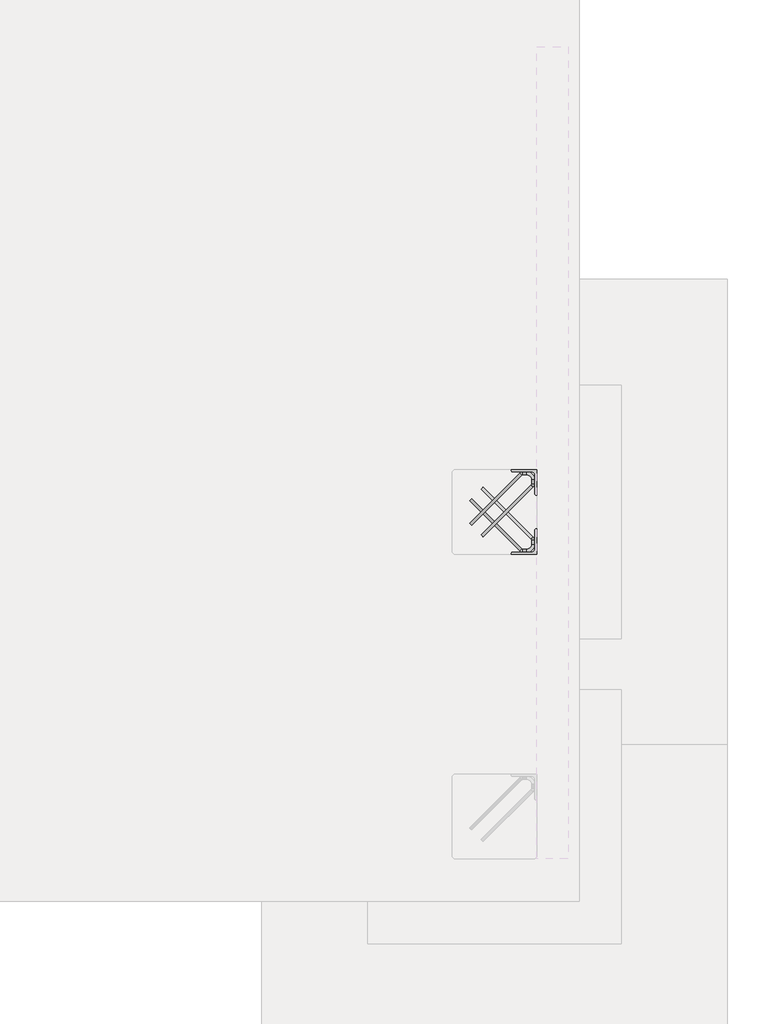
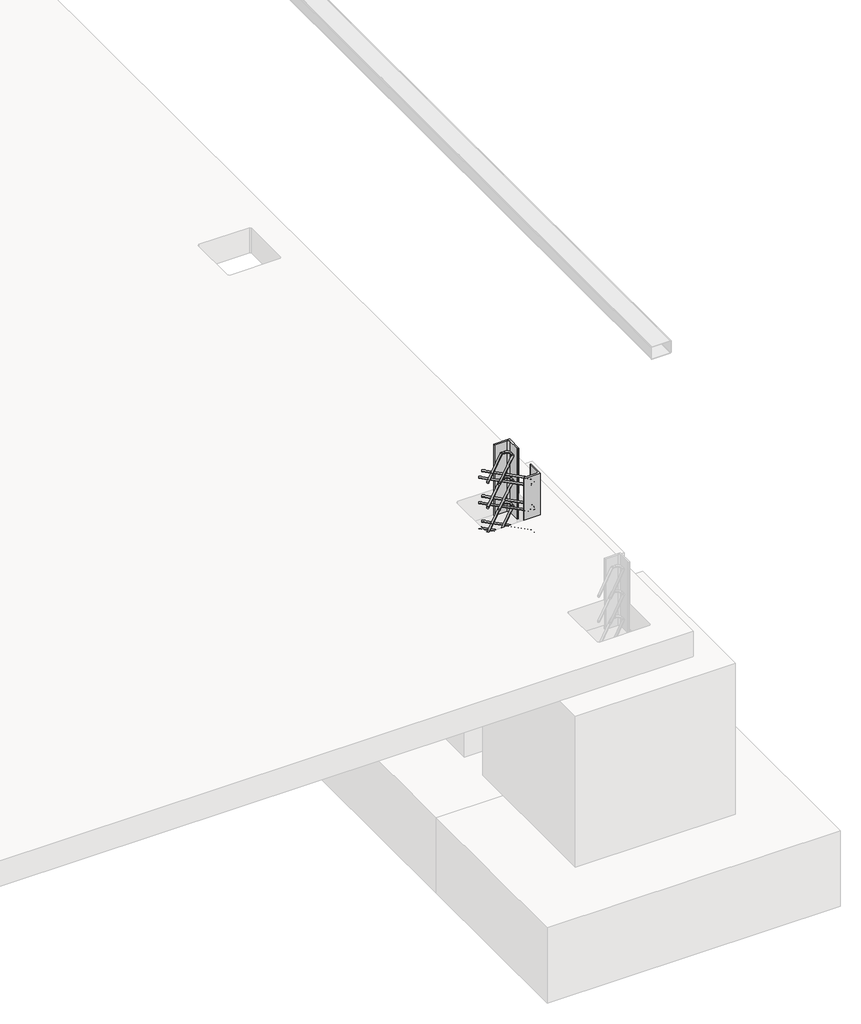
# One storey, part 54 of 65: 2 fasteners.
"""IFC4 building model written with IfcOpenShell, lengths in millimetres."""

from ifc_helpers import new_model, si_unit, point, frame, frame_2d, origin, place, context, project, spatial, polyline, circle_curve, ellipse_curve, trimmed, segment, composite_curve, outline, extrude, element, save
from ifc_brep_helpers import plane_surface, cylinder_surface, revolved_surface, advanced_brep

model = new_model("IFC4")

# Units and contexts
model_context = context("Model", 3, world=origin())
ifc_project = project(units=[si_unit("LENGTHUNIT", "METRE", prefix="MILLI")], contexts=[model_context])

# Site, building, storey
site = spatial("IfcSite", under=ifc_project)
building = spatial("IfcBuilding", under=site)
storey = spatial("IfcBuildingStorey", under=building, Elevation=0.0)

# Fasteners
placement = place(None, origin())
element("IfcFastener", 1, at=placement, inside=storey, context=model_context, shape_type="SolidModel", body=[
    advanced_brep(
    [(81882.5628791, 11387.4623741, -120.0), (81892.4623741, 11377.5628791, -120.0), (81947.4623741, 11322.5628791, -120.0), (81937.5628791, 11332.4623741, -120.0), (82176.0, 11593.0, -120.0), (82176.0, 11574.2132034, -120.0), (82190.0, 11574.2132034, -120.0), (82190.0, 11593.0, -120.0), (82153.0, 11630.0, -120.0), (82153.0, 11616.0, -120.0), (82134.2132034, 11616.0, -120.0), (82134.2132034, 11630.0, -120.0), (82128.5563492, 11613.6568542, -120.0), (82118.6568543, 11623.5563492, -120.0), (82173.6568543, 11568.5563492, -120.0), (82183.5563492, 11558.6568542, -120.0)],
    [
        (0, 1, circle_curve(frame((81887.5126266, 11382.5126266, -120.0), z_axis=(-0.7071067811865493, -0.7071067811865459, 0.0), x_axis=(0.7071067811865459, -0.7071067811865493, 0.0)), 7.0)),
        (1, 0, circle_curve(frame((81887.5126266, 11382.5126266, -120.0), z_axis=(-0.7071067811865493, -0.7071067811865459, 0.0), x_axis=(0.7071067811865459, -0.7071067811865493, 0.0)), 7.0)),
        (2, 3, circle_curve(frame((81942.5126266, 11327.5126266, -120.0), z_axis=(-0.7071067811865493, -0.7071067811865457, 0.0), x_axis=(-0.7071067811865457, 0.7071067811865493, 0.0)), 7.0)),
        (3, 2, circle_curve(frame((81942.5126266, 11327.5126266, -120.0), z_axis=(-0.7071067811865493, -0.7071067811865457, 0.0), x_axis=(-0.7071067811865457, 0.7071067811865493, 0.0)), 7.0)),
        (4, 5),
        (5, 6, circle_curve(frame((82183.0, 11574.2132034, -120.0), z_axis=(0.0, 1.0, 0.0), x_axis=(-1.0, 0.0, 0.0)), 7.0)),
        (6, 7),
        (7, 4, circle_curve(frame((82183.0, 11593.0, -120.0), z_axis=(0.0, -1.0, 0.0), x_axis=(-1.0, 0.0, 0.0)), 7.0)),
        (6, 5, circle_curve(frame((82183.0, 11574.2132034, -120.0), z_axis=(0.0, 1.0, 0.0), x_axis=(-1.0, 0.0, 0.0)), 7.0)),
        (4, 7, circle_curve(frame((82183.0, 11593.0, -120.0), z_axis=(0.0, -1.0, 0.0), x_axis=(-1.0, 0.0, 0.0)), 7.0)),
        (7, 8, circle_curve(frame((82153.0, 11593.0, -120.0), z_axis=(0.0, 0.0, 1.0), x_axis=(0.0, 1.0, 0.0)), 37.0)),
        (8, 9, circle_curve(frame((82153.0, 11623.0, -120.0), z_axis=(1.0, 0.0, 0.0), x_axis=(0.0, -1.0, 0.0)), 7.0)),
        (9, 4, circle_curve(frame((82153.0, 11593.0, -120.0), z_axis=(0.0, 0.0, -1.0), x_axis=(0.0, 1.0, 0.0)), 23.0)),
        (9, 8, circle_curve(frame((82153.0, 11623.0, -120.0), z_axis=(1.0, 0.0, 0.0), x_axis=(0.0, -1.0, 0.0)), 7.0)),
        (10, 9),
        (8, 11),
        (11, 10, circle_curve(frame((82134.2132034, 11623.0, -120.0), z_axis=(1.0, 0.0, 0.0), x_axis=(0.0, -1.0, 0.0)), 7.0)),
        (10, 11, circle_curve(frame((82134.2132034, 11623.0, -120.0), z_axis=(1.0, 0.0, 0.0), x_axis=(0.0, -1.0, 0.0)), 7.0)),
        (1, 12),
        (12, 13, circle_curve(frame((82123.6066017, 11618.6066017, -120.0), z_axis=(-0.7071067811865493, -0.7071067811865459, 0.0), x_axis=(0.7071067811865459, -0.7071067811865493, 0.0)), 7.0)),
        (13, 0),
        (13, 12, circle_curve(frame((82123.6066017, 11618.6066017, -120.0), z_axis=(-0.7071067811865493, -0.7071067811865459, 0.0), x_axis=(0.7071067811865459, -0.7071067811865493, 0.0)), 7.0)),
        (11, 13, circle_curve(frame((82134.2132034, 11608.0, -120.0), z_axis=(0.0, 0.0, 1.0), x_axis=(-0.7071067811865459, 0.7071067811865491, 0.0)), 22.0)),
        (12, 10, circle_curve(frame((82134.2132034, 11608.0, -120.0), z_axis=(0.0, 0.0, -1.0), x_axis=(-0.7071067811865459, 0.7071067811865491, 0.0)), 8.0)),
        (14, 15, circle_curve(frame((82178.6066017, 11563.6066017, -120.0), z_axis=(0.7071067811865498, 0.7071067811865452, 0.0), x_axis=(-0.7071067811865452, 0.7071067811865498, 0.0)), 7.0)),
        (15, 6, circle_curve(frame((82168.0, 11574.2132034, -120.0), z_axis=(0.0, 0.0, 1.0), x_axis=(1.0, 0.0, 0.0)), 22.0)),
        (5, 14, circle_curve(frame((82168.0, 11574.2132034, -120.0), z_axis=(0.0, 0.0, -1.0), x_axis=(1.0, 0.0, 0.0)), 8.0)),
        (15, 14, circle_curve(frame((82178.6066017, 11563.6066017, -120.0), z_axis=(0.7071067811865495, 0.7071067811865456, 0.0), x_axis=(-0.7071067811865456, 0.7071067811865495, 0.0)), 7.0)),
        (14, 3),
        (2, 15),
    ],
    [
        plane_surface(frame((81887.5126266, 11382.5126266, -120.0), z_axis=(-0.7071067811865493, -0.7071067811865459, 0.0), x_axis=(0.0, 0.0, 1.0))),
        plane_surface(frame((81942.5126266, 11327.5126266, -120.0), z_axis=(-0.7071067811865493, -0.7071067811865457, 0.0), x_axis=(0.0, 0.0, 1.0))),
        cylinder_surface(frame((82183.0, 11593.0, -120.0), z_axis=(0.0, 1.0, 0.0), x_axis=(-1.0, 0.0, 0.0)), 7.0),
        revolved_surface(trimmed(ellipse_curve(frame((82153.0, 11623.0, -120.0), z_axis=(1.0, 0.0, 0.0), x_axis=(0.0, -1.0, 0.0)), 7.0, 7.0), [point((82153.0, 11630.0, -120.0))], [point((82153.0, 11616.0, -120.0))], True, "CARTESIAN"), (82153.0, 11593.0, -120.0), (0.0, 0.0, 1.0)),
        revolved_surface(trimmed(ellipse_curve(frame((82153.0, 11623.0, -120.0), z_axis=(1.0, 0.0, 0.0), x_axis=(0.0, -1.0, 0.0)), 7.0, 7.0), [point((82153.0, 11616.0, -120.0))], [point((82153.0, 11630.0, -120.0))], True, "CARTESIAN"), (82153.0, 11593.0, -120.0), (0.0, 0.0, 1.0)),
        cylinder_surface(frame((82134.2132034, 11623.0, -120.0), z_axis=(-1.0, 0.0, 0.0), x_axis=(0.0, -1.0, 0.0)), 7.0),
        cylinder_surface(frame((81887.5126266, 11382.5126266, -120.0), z_axis=(-0.7071067811865493, -0.7071067811865459, 0.0), x_axis=(0.7071067811865459, -0.7071067811865493, 0.0)), 7.0),
        revolved_surface(trimmed(ellipse_curve(frame((82123.6066017, 11618.6066017, -120.0), z_axis=(0.7071067811865491, 0.7071067811865459, 0.0), x_axis=(0.7071067811865459, -0.7071067811865491, 0.0)), 7.0, 7.0), [point((82118.6568543, 11623.5563492, -120.0))], [point((82128.5563492, 11613.6568542, -120.0))], True, "CARTESIAN"), (82134.2132034, 11608.0, -120.0), (0.0, 0.0, 1.0)),
        revolved_surface(trimmed(ellipse_curve(frame((82123.6066017, 11618.6066017, -120.0), z_axis=(0.7071067811865491, 0.7071067811865459, 0.0), x_axis=(0.7071067811865459, -0.7071067811865491, 0.0)), 7.0, 7.0), [point((82128.5563492, 11613.6568542, -120.0))], [point((82118.6568543, 11623.5563492, -120.0))], True, "CARTESIAN"), (82134.2132034, 11608.0, -120.0), (0.0, 0.0, 1.0)),
        revolved_surface(trimmed(ellipse_curve(frame((82183.0, 11574.2132034, -120.0), z_axis=(0.0, -1.0, 0.0), x_axis=(-1.0, 0.0, 0.0)), 7.0, 7.0), [point((82190.0, 11574.2132034, -120.0))], [point((82176.0, 11574.2132034, -120.0))], True, "CARTESIAN"), (82168.0, 11574.2132034, -120.0), (0.0, 0.0, 1.0)),
        revolved_surface(trimmed(ellipse_curve(frame((82183.0, 11574.2132034, -120.0), z_axis=(0.0, -1.0, 0.0), x_axis=(-1.0, 0.0, 0.0)), 7.0, 7.0), [point((82176.0, 11574.2132034, -120.0))], [point((82190.0, 11574.2132034, -120.0))], True, "CARTESIAN"), (82168.0, 11574.2132034, -120.0), (0.0, 0.0, 1.0)),
        cylinder_surface(frame((82178.6066017, 11563.6066017, -120.0), z_axis=(0.7071067811865493, 0.7071067811865457, 0.0), x_axis=(-0.7071067811865457, 0.7071067811865493, 0.0)), 7.0),
    ],
    [
        (0, [[1, 2]]),
        (1, [[3, 4]]),
        (2, [[5, 6, 7, 8]]),
        (2, [[-7, 9, -5, 10]]),
        (3, [[-8, 11, 12, 13]]),
        (4, [[-10, -13, 14, -11]]),
        (5, [[15, -12, 16, 17]]),
        (5, [[-16, -14, -15, 18]]),
        (6, [[19, 20, 21, -2]]),
        (6, [[-21, 22, -19, -1]]),
        (7, [[-17, 23, -20, 24]]),
        (8, [[-18, -24, -22, -23]]),
        (9, [[25, 26, -6, 27]]),
        (10, [[28, -27, -9, -26]]),
        (11, [[29, -3, 30, -25]]),
        (11, [[-30, -4, -29, -28]]),
    ],
),
    advanced_brep(
    [(81892.4623741, 11377.5628791, 280.0), (81882.5628791, 11387.4623741, 280.0), (81937.5628791, 11332.4623741, 280.0), (81947.4623741, 11322.5628791, 280.0), (82190.0, 11593.0, 280.0), (82190.0, 11574.2132034, 280.0), (82176.0, 11574.2132034, 280.0), (82176.0, 11593.0, 280.0), (82153.0, 11616.0, 280.0), (82153.0, 11630.0, 280.0), (82134.2132034, 11630.0, 280.0), (82134.2132034, 11616.0, 280.0), (82118.6568543, 11623.5563492, 280.0), (82128.5563492, 11613.6568542, 280.0), (82183.5563492, 11558.6568542, 280.0), (82173.6568543, 11568.5563492, 280.0)],
    [
        (0, 1, circle_curve(frame((81887.5126266, 11382.5126266, 280.0), z_axis=(-0.7071067811865493, -0.7071067811865459, 0.0), x_axis=(-0.7071067811865459, 0.7071067811865493, 0.0)), 7.0)),
        (1, 0, circle_curve(frame((81887.5126266, 11382.5126266, 280.0), z_axis=(-0.7071067811865493, -0.7071067811865459, 0.0), x_axis=(-0.7071067811865459, 0.7071067811865493, 0.0)), 7.0)),
        (2, 3, circle_curve(frame((81942.5126266, 11327.5126266, 280.0), z_axis=(-0.7071067811865493, -0.7071067811865458, 0.0), x_axis=(0.7071067811865458, -0.7071067811865493, 0.0)), 7.0)),
        (3, 2, circle_curve(frame((81942.5126266, 11327.5126266, 280.0), z_axis=(-0.7071067811865493, -0.7071067811865458, 0.0), x_axis=(0.7071067811865458, -0.7071067811865493, 0.0)), 7.0)),
        (4, 5),
        (5, 6, circle_curve(frame((82183.0, 11574.2132034, 280.0), z_axis=(0.0, 1.0, 0.0), x_axis=(1.0, 0.0, 0.0)), 7.0)),
        (6, 7),
        (7, 4, circle_curve(frame((82183.0, 11593.0, 280.0), z_axis=(0.0, -1.0, 0.0), x_axis=(1.0, 0.0, 0.0)), 7.0)),
        (6, 5, circle_curve(frame((82183.0, 11574.2132034, 280.0), z_axis=(0.0, 1.0, 0.0), x_axis=(1.0, 0.0, 0.0)), 7.0)),
        (4, 7, circle_curve(frame((82183.0, 11593.0, 280.0), z_axis=(0.0, -1.0, 0.0), x_axis=(1.0, 0.0, 0.0)), 7.0)),
        (7, 8, circle_curve(frame((82153.0, 11593.0, 280.0), z_axis=(0.0, 0.0, 1.0), x_axis=(0.0, 1.0, 0.0)), 23.0)),
        (8, 9, circle_curve(frame((82153.0, 11623.0, 280.0), z_axis=(1.0, 0.0, 0.0), x_axis=(0.0, 1.0, 0.0)), 7.0)),
        (9, 4, circle_curve(frame((82153.0, 11593.0, 280.0), z_axis=(0.0, 0.0, -1.0), x_axis=(0.0, 1.0, 0.0)), 37.0)),
        (9, 8, circle_curve(frame((82153.0, 11623.0, 280.0), z_axis=(1.0, 0.0, 0.0), x_axis=(0.0, 1.0, 0.0)), 7.0)),
        (10, 9),
        (8, 11),
        (11, 10, circle_curve(frame((82134.2132034, 11623.0, 280.0), z_axis=(1.0, 0.0, 0.0), x_axis=(0.0, 1.0, 0.0)), 7.0)),
        (10, 11, circle_curve(frame((82134.2132034, 11623.0, 280.0), z_axis=(1.0, 0.0, 0.0), x_axis=(0.0, 1.0, 0.0)), 7.0)),
        (1, 12),
        (12, 13, circle_curve(frame((82123.6066017, 11618.6066017, 280.0), z_axis=(-0.7071067811865493, -0.7071067811865459, 0.0), x_axis=(-0.7071067811865459, 0.7071067811865493, 0.0)), 7.0)),
        (13, 0),
        (13, 12, circle_curve(frame((82123.6066017, 11618.6066017, 280.0), z_axis=(-0.7071067811865493, -0.7071067811865459, 0.0), x_axis=(-0.7071067811865459, 0.7071067811865493, 0.0)), 7.0)),
        (11, 13, circle_curve(frame((82134.2132034, 11608.0, 280.0), z_axis=(0.0, 0.0, 1.0), x_axis=(-0.7071067811865459, 0.7071067811865491, 0.0)), 8.0)),
        (12, 10, circle_curve(frame((82134.2132034, 11608.0, 280.0), z_axis=(0.0, 0.0, -1.0), x_axis=(-0.7071067811865459, 0.7071067811865491, 0.0)), 22.0)),
        (14, 15, circle_curve(frame((82178.6066017, 11563.6066017, 280.0), z_axis=(0.70710678118655, 0.707106781186545, 0.0), x_axis=(0.707106781186545, -0.70710678118655, 0.0)), 7.0)),
        (15, 6, circle_curve(frame((82168.0, 11574.2132034, 280.0), z_axis=(0.0, 0.0, 1.0), x_axis=(1.0, 0.0, 0.0)), 8.0)),
        (5, 14, circle_curve(frame((82168.0, 11574.2132034, 280.0), z_axis=(0.0, 0.0, -1.0), x_axis=(1.0, 0.0, 0.0)), 22.0)),
        (15, 14, circle_curve(frame((82178.6066017, 11563.6066017, 280.0), z_axis=(0.707106781186551, 0.707106781186544, 0.0), x_axis=(0.707106781186544, -0.707106781186551, 0.0)), 7.0)),
        (14, 3),
        (2, 15),
    ],
    [
        plane_surface(frame((81887.5126266, 11382.5126266, 280.0), z_axis=(-0.7071067811865493, -0.7071067811865459, 0.0), x_axis=(0.0, 0.0, -1.0))),
        plane_surface(frame((81942.5126266, 11327.5126266, 280.0), z_axis=(-0.7071067811865493, -0.7071067811865458, 0.0), x_axis=(0.0, 0.0, -1.0))),
        cylinder_surface(frame((82183.0, 11593.0, 280.0), z_axis=(0.0, 1.0, 0.0), x_axis=(1.0, 0.0, 0.0)), 7.0),
        revolved_surface(trimmed(ellipse_curve(frame((82153.0, 11623.0, 280.0), z_axis=(1.0, 0.0, 0.0), x_axis=(0.0, 1.0, 0.0)), 7.0, 7.0), [point((82153.0, 11616.0, 280.0))], [point((82153.0, 11630.0, 280.0))], True, "CARTESIAN"), (82153.0, 11593.0, 280.0), (0.0, 0.0, 1.0)),
        revolved_surface(trimmed(ellipse_curve(frame((82153.0, 11623.0, 280.0), z_axis=(1.0, 0.0, 0.0), x_axis=(0.0, 1.0, 0.0)), 7.0, 7.0), [point((82153.0, 11630.0, 280.0))], [point((82153.0, 11616.0, 280.0))], True, "CARTESIAN"), (82153.0, 11593.0, 280.0), (0.0, 0.0, 1.0)),
        cylinder_surface(frame((82134.2132034, 11623.0, 280.0), z_axis=(-1.0, 0.0, 0.0), x_axis=(0.0, 1.0, 0.0)), 7.0),
        cylinder_surface(frame((81887.5126266, 11382.5126266, 280.0), z_axis=(-0.7071067811865493, -0.7071067811865459, 0.0), x_axis=(-0.7071067811865459, 0.7071067811865493, 0.0)), 7.0),
        revolved_surface(trimmed(ellipse_curve(frame((82123.6066017, 11618.6066017, 280.0), z_axis=(0.7071067811865491, 0.7071067811865459, 0.0), x_axis=(-0.7071067811865459, 0.7071067811865491, 0.0)), 7.0, 7.0), [point((82128.5563492, 11613.6568542, 280.0))], [point((82118.6568543, 11623.5563492, 280.0))], True, "CARTESIAN"), (82134.2132034, 11608.0, 280.0), (0.0, 0.0, 1.0)),
        revolved_surface(trimmed(ellipse_curve(frame((82123.6066017, 11618.6066017, 280.0), z_axis=(0.7071067811865491, 0.7071067811865459, 0.0), x_axis=(-0.7071067811865459, 0.7071067811865491, 0.0)), 7.0, 7.0), [point((82118.6568543, 11623.5563492, 280.0))], [point((82128.5563492, 11613.6568542, 280.0))], True, "CARTESIAN"), (82134.2132034, 11608.0, 280.0), (0.0, 0.0, 1.0)),
        revolved_surface(trimmed(ellipse_curve(frame((82183.0, 11574.2132034, 280.0), z_axis=(0.0, -1.0, 0.0), x_axis=(1.0, 0.0, 0.0)), 7.0, 7.0), [point((82176.0, 11574.2132034, 280.0))], [point((82190.0, 11574.2132034, 280.0))], True, "CARTESIAN"), (82168.0, 11574.2132034, 280.0), (0.0, 0.0, 1.0)),
        revolved_surface(trimmed(ellipse_curve(frame((82183.0, 11574.2132034, 280.0), z_axis=(0.0, -1.0, 0.0), x_axis=(1.0, 0.0, 0.0)), 7.0, 7.0), [point((82190.0, 11574.2132034, 280.0))], [point((82176.0, 11574.2132034, 280.0))], True, "CARTESIAN"), (82168.0, 11574.2132034, 280.0), (0.0, 0.0, 1.0)),
        cylinder_surface(frame((82178.6066017, 11563.6066017, 280.0), z_axis=(0.7071067811865493, 0.7071067811865458, 0.0), x_axis=(0.7071067811865458, -0.7071067811865493, 0.0)), 7.0),
    ],
    [
        (0, [[1, 2]]),
        (1, [[3, 4]]),
        (2, [[5, 6, 7, 8]]),
        (2, [[-7, 9, -5, 10]]),
        (3, [[-8, 11, 12, 13]]),
        (4, [[-10, -13, 14, -11]]),
        (5, [[15, -12, 16, 17]]),
        (5, [[-16, -14, -15, 18]]),
        (6, [[19, 20, 21, -2]]),
        (6, [[-21, 22, -19, -1]]),
        (7, [[-17, 23, -20, 24]]),
        (8, [[-18, -24, -22, -23]]),
        (9, [[25, 26, -6, 27]]),
        (10, [[28, -27, -9, -26]]),
        (11, [[29, -3, 30, -25]]),
        (11, [[-30, -4, -29, -28]]),
    ],
),
    advanced_brep(
    [(81892.4623741, 11377.5628791, 80.0), (81882.5628791, 11387.4623741, 80.0), (81937.5628791, 11332.4623741, 80.0), (81947.4623741, 11322.5628791, 80.0), (82190.0, 11593.0, 80.0), (82190.0, 11574.2132034, 80.0), (82176.0, 11574.2132034, 80.0), (82176.0, 11593.0, 80.0), (82153.0, 11616.0, 80.0), (82153.0, 11630.0, 80.0), (82134.2132034, 11630.0, 80.0), (82134.2132034, 11616.0, 80.0), (82118.6568543, 11623.5563492, 80.0), (82128.5563492, 11613.6568542, 80.0), (82183.5563492, 11558.6568542, 80.0), (82173.6568543, 11568.5563492, 80.0)],
    [
        (0, 1, circle_curve(frame((81887.5126266, 11382.5126266, 80.0), z_axis=(-0.7071067811865492, -0.7071067811865458, 0.0), x_axis=(-0.7071067811865458, 0.7071067811865492, 0.0)), 7.0)),
        (1, 0, circle_curve(frame((81887.5126266, 11382.5126266, 80.0), z_axis=(-0.7071067811865492, -0.7071067811865458, 0.0), x_axis=(-0.7071067811865458, 0.7071067811865492, 0.0)), 7.0)),
        (2, 3, circle_curve(frame((81942.5126266, 11327.5126266, 80.0), z_axis=(-0.7071067811865493, -0.7071067811865458, 0.0), x_axis=(0.7071067811865458, -0.7071067811865493, 0.0)), 7.0)),
        (3, 2, circle_curve(frame((81942.5126266, 11327.5126266, 80.0), z_axis=(-0.7071067811865493, -0.7071067811865458, 0.0), x_axis=(0.7071067811865458, -0.7071067811865493, 0.0)), 7.0)),
        (4, 5),
        (5, 6, circle_curve(frame((82183.0, 11574.2132034, 80.0), z_axis=(0.0, 1.0, 0.0), x_axis=(1.0, 0.0, 0.0)), 7.0)),
        (6, 7),
        (7, 4, circle_curve(frame((82183.0, 11593.0, 80.0), z_axis=(0.0, -1.0, 0.0), x_axis=(1.0, 0.0, 0.0)), 7.0)),
        (6, 5, circle_curve(frame((82183.0, 11574.2132034, 80.0), z_axis=(0.0, 1.0, 0.0), x_axis=(1.0, 0.0, 0.0)), 7.0)),
        (4, 7, circle_curve(frame((82183.0, 11593.0, 80.0), z_axis=(0.0, -1.0, 0.0), x_axis=(1.0, 0.0, 0.0)), 7.0)),
        (7, 8, circle_curve(frame((82153.0, 11593.0, 80.0), z_axis=(0.0, 0.0, 1.0), x_axis=(0.0, 1.0, 0.0)), 23.0)),
        (8, 9, circle_curve(frame((82153.0, 11623.0, 80.0), z_axis=(1.0, 0.0, 0.0), x_axis=(0.0, 1.0, 0.0)), 7.0)),
        (9, 4, circle_curve(frame((82153.0, 11593.0, 80.0), z_axis=(0.0, 0.0, -1.0), x_axis=(0.0, 1.0, 0.0)), 37.0)),
        (9, 8, circle_curve(frame((82153.0, 11623.0, 80.0), z_axis=(1.0, 0.0, 0.0), x_axis=(0.0, 1.0, 0.0)), 7.0)),
        (10, 9),
        (8, 11),
        (11, 10, circle_curve(frame((82134.2132034, 11623.0, 80.0), z_axis=(1.0, 0.0, 0.0), x_axis=(0.0, 1.0, 0.0)), 7.0)),
        (10, 11, circle_curve(frame((82134.2132034, 11623.0, 80.0), z_axis=(1.0, 0.0, 0.0), x_axis=(0.0, 1.0, 0.0)), 7.0)),
        (1, 12),
        (12, 13, circle_curve(frame((82123.6066017, 11618.6066017, 80.0), z_axis=(-0.7071067811865492, -0.7071067811865458, 0.0), x_axis=(-0.7071067811865458, 0.7071067811865492, 0.0)), 7.0)),
        (13, 0),
        (13, 12, circle_curve(frame((82123.6066017, 11618.6066017, 80.0), z_axis=(-0.7071067811865492, -0.7071067811865458, 0.0), x_axis=(-0.7071067811865458, 0.7071067811865492, 0.0)), 7.0)),
        (11, 13, circle_curve(frame((82134.2132034, 11608.0, 80.0), z_axis=(0.0, 0.0, 1.0), x_axis=(-0.7071067811865459, 0.7071067811865491, 0.0)), 8.0)),
        (12, 10, circle_curve(frame((82134.2132034, 11608.0, 80.0), z_axis=(0.0, 0.0, -1.0), x_axis=(-0.7071067811865459, 0.7071067811865491, 0.0)), 22.0)),
        (14, 15, circle_curve(frame((82178.6066017, 11563.6066017, 80.0), z_axis=(0.7071067811865495, 0.7071067811865456, 0.0), x_axis=(0.7071067811865456, -0.7071067811865495, 0.0)), 7.0)),
        (15, 6, circle_curve(frame((82168.0, 11574.2132034, 80.0), z_axis=(0.0, 0.0, 1.0), x_axis=(1.0, 0.0, 0.0)), 8.0)),
        (5, 14, circle_curve(frame((82168.0, 11574.2132034, 80.0), z_axis=(0.0, 0.0, -1.0), x_axis=(1.0, 0.0, 0.0)), 22.0)),
        (15, 14, circle_curve(frame((82178.6066017, 11563.6066017, 80.0), z_axis=(0.7071067811865493, 0.7071067811865457, 0.0), x_axis=(0.7071067811865457, -0.7071067811865493, 0.0)), 7.0)),
        (14, 3),
        (2, 15),
    ],
    [
        plane_surface(frame((81887.5126266, 11382.5126266, 80.0), z_axis=(-0.7071067811865492, -0.7071067811865458, 0.0), x_axis=(0.0, 0.0, -1.0))),
        plane_surface(frame((81942.5126266, 11327.5126266, 80.0), z_axis=(-0.7071067811865495, -0.7071067811865457, 0.0), x_axis=(0.0, 0.0, -1.0))),
        cylinder_surface(frame((82183.0, 11593.0, 80.0), z_axis=(0.0, 1.0, 0.0), x_axis=(1.0, 0.0, 0.0)), 7.0),
        revolved_surface(trimmed(ellipse_curve(frame((82153.0, 11623.0, 80.0), z_axis=(1.0, 0.0, 0.0), x_axis=(0.0, 1.0, 0.0)), 7.0, 7.0), [point((82153.0, 11616.0, 80.0))], [point((82153.0, 11630.0, 80.0))], True, "CARTESIAN"), (82153.0, 11593.0, 80.0), (0.0, 0.0, 1.0)),
        revolved_surface(trimmed(ellipse_curve(frame((82153.0, 11623.0, 80.0), z_axis=(1.0, 0.0, 0.0), x_axis=(0.0, 1.0, 0.0)), 7.0, 7.0), [point((82153.0, 11630.0, 80.0))], [point((82153.0, 11616.0, 80.0))], True, "CARTESIAN"), (82153.0, 11593.0, 80.0), (0.0, 0.0, 1.0)),
        cylinder_surface(frame((82134.2132034, 11623.0, 80.0), z_axis=(-1.0, 0.0, 0.0), x_axis=(0.0, 1.0, 0.0)), 7.0),
        cylinder_surface(frame((81887.5126266, 11382.5126266, 80.0), z_axis=(-0.7071067811865492, -0.7071067811865458, 0.0), x_axis=(-0.7071067811865458, 0.7071067811865492, 0.0)), 7.0),
        revolved_surface(trimmed(ellipse_curve(frame((82123.6066017, 11618.6066017, 80.0), z_axis=(0.707106781186549, 0.707106781186546, 0.0), x_axis=(-0.707106781186546, 0.707106781186549, 0.0)), 7.0, 7.0), [point((82128.5563492, 11613.6568542, 80.0))], [point((82118.6568543, 11623.5563492, 80.0))], True, "CARTESIAN"), (82134.2132034, 11608.0, 80.0), (0.0, 0.0, 1.0)),
        revolved_surface(trimmed(ellipse_curve(frame((82123.6066017, 11618.6066017, 80.0), z_axis=(0.707106781186549, 0.707106781186546, 0.0), x_axis=(-0.707106781186546, 0.707106781186549, 0.0)), 7.0, 7.0), [point((82118.6568543, 11623.5563492, 80.0))], [point((82128.5563492, 11613.6568542, 80.0))], True, "CARTESIAN"), (82134.2132034, 11608.0, 80.0), (0.0, 0.0, 1.0)),
        revolved_surface(trimmed(ellipse_curve(frame((82183.0, 11574.2132034, 80.0), z_axis=(0.0, -1.0, 0.0), x_axis=(1.0, 0.0, 0.0)), 7.0, 7.0), [point((82176.0, 11574.2132034, 80.0))], [point((82190.0, 11574.2132034, 80.0))], True, "CARTESIAN"), (82168.0, 11574.2132034, 80.0), (0.0, 0.0, 1.0)),
        revolved_surface(trimmed(ellipse_curve(frame((82183.0, 11574.2132034, 80.0), z_axis=(0.0, -1.0, 0.0), x_axis=(1.0, 0.0, 0.0)), 7.0, 7.0), [point((82190.0, 11574.2132034, 80.0))], [point((82176.0, 11574.2132034, 80.0))], True, "CARTESIAN"), (82168.0, 11574.2132034, 80.0), (0.0, 0.0, 1.0)),
        cylinder_surface(frame((82178.6066017, 11563.6066017, 80.0), z_axis=(0.7071067811865493, 0.7071067811865458, 0.0), x_axis=(0.7071067811865458, -0.7071067811865493, 0.0)), 7.0),
    ],
    [
        (0, [[1, 2]]),
        (1, [[3, 4]]),
        (2, [[5, 6, 7, 8]]),
        (2, [[-7, 9, -5, 10]]),
        (3, [[-8, 11, 12, 13]]),
        (4, [[-10, -13, 14, -11]]),
        (5, [[15, -12, 16, 17]]),
        (5, [[-16, -14, -15, 18]]),
        (6, [[19, 20, 21, -2]]),
        (6, [[-21, 22, -19, -1]]),
        (7, [[-17, 23, -20, 24]]),
        (8, [[-18, -24, -22, -23]]),
        (9, [[25, 26, -6, 27]]),
        (10, [[28, -27, -9, -26]]),
        (11, [[29, -3, 30, -25]]),
        (11, [[-30, -4, -29, -28]]),
    ],
),
    extrude(outline(composite_curve([segment(polyline([(82200.0, 11640.0), (82200.0, 11520.0), (82196.5, 11520.0)]), True, "CONTINUOUS"), segment(trimmed(circle_curve(frame_2d((82196.5, 11526.5)), 6.5), [point((82196.5, 11520.0))], [point((82190.0, 11526.5))], False, "CARTESIAN"), True, "CONTINUOUS"), segment(polyline([(82190.0, 11526.5), (82190.0, 11617.0)]), True, "CONTINUOUS"), segment(trimmed(circle_curve(frame_2d((82177.0, 11617.0)), 13.0), [point((82190.0, 11617.0))], [point((82177.0, 11630.0))], True, "CARTESIAN"), True, "CONTINUOUS"), segment(polyline([(82177.0, 11630.0), (82086.5, 11630.0)]), True, "CONTINUOUS"), segment(trimmed(circle_curve(frame_2d((82086.5, 11636.5)), 6.5), [point((82086.5, 11630.0))], [point((82080.0, 11636.5))], False, "CARTESIAN"), True, "CONTINUOUS"), segment(polyline([(82080.0, 11636.5), (82080.0, 11640.0), (82200.0, 11640.0)]), True, "CONTINUOUS")], self_intersect=False)), frame((0.0, 0.0, -200.0), z_axis=(0.0, 0.0, 1.0), x_axis=(1.0, 0.0, 0.0)), (0.0, 0.0, 1.0), 560.0),
])
element("IfcFastener", 2, at=placement, inside=storey, context=model_context, shape_type="SolidModel", body=[
    advanced_brep(
    [(81882.5628791, 11492.5376259, 250.0), (81892.4623741, 11502.4371209, 250.0), (81947.4623741, 11557.4371209, 250.0), (81937.5628791, 11547.5376259, 250.0), (82176.0, 11287.0, 250.0), (82176.0, 11305.7867966, 250.0), (82190.0, 11305.7867966, 250.0), (82190.0, 11287.0, 250.0), (82153.0, 11250.0, 250.0), (82153.0, 11264.0, 250.0), (82134.2132034, 11264.0, 250.0), (82134.2132034, 11250.0, 250.0), (82128.5563492, 11266.3431458, 250.0), (82118.6568543, 11256.4436508, 250.0), (82173.6568543, 11311.4436508, 250.0), (82183.5563492, 11321.3431458, 250.0)],
    [
        (0, 1, circle_curve(frame((81887.5126266, 11497.4873734, 250.0), z_axis=(-0.7071067811865446, 0.7071067811865505, 0.0), x_axis=(0.7071067811865506, 0.7071067811865447, 0.0)), 7.0)),
        (1, 0, circle_curve(frame((81887.5126266, 11497.4873734, 250.0), z_axis=(-0.7071067811865446, 0.7071067811865505, 0.0), x_axis=(0.7071067811865506, 0.7071067811865447, 0.0)), 7.0)),
        (2, 3, circle_curve(frame((81942.5126266, 11552.4873734, 250.0), z_axis=(-0.7071067811865447, 0.7071067811865503, 0.0), x_axis=(-0.7071067811865503, -0.7071067811865447, 0.0)), 7.0)),
        (3, 2, circle_curve(frame((81942.5126266, 11552.4873734, 250.0), z_axis=(-0.7071067811865447, 0.7071067811865503, 0.0), x_axis=(-0.7071067811865503, -0.7071067811865447, 0.0)), 7.0)),
        (4, 5),
        (5, 6, circle_curve(frame((82183.0, 11305.7867966, 250.0), z_axis=(0.0, -1.0, 0.0), x_axis=(-1.0, 0.0, 0.0)), 7.0)),
        (6, 7),
        (7, 4, circle_curve(frame((82183.0, 11287.0, 250.0), z_axis=(0.0, 1.0, 0.0), x_axis=(-1.0, 0.0, 0.0)), 7.0)),
        (6, 5, circle_curve(frame((82183.0, 11305.7867966, 250.0), z_axis=(0.0, -1.0, 0.0), x_axis=(-1.0, 0.0, 0.0)), 7.0)),
        (4, 7, circle_curve(frame((82183.0, 11287.0, 250.0), z_axis=(0.0, 1.0, 0.0), x_axis=(-1.0, 0.0, 0.0)), 7.0)),
        (7, 8, circle_curve(frame((82153.0, 11287.0, 250.0), z_axis=(0.0, 0.0, -1.0), x_axis=(0.0, -1.0, 0.0)), 37.0)),
        (8, 9, circle_curve(frame((82153.0, 11257.0, 250.0), z_axis=(1.0, 0.0, 0.0), x_axis=(0.0, 1.0, 0.0)), 7.0)),
        (9, 4, circle_curve(frame((82153.0, 11287.0, 250.0), z_axis=(0.0, 0.0, 1.0), x_axis=(0.0, -1.0, 0.0)), 23.0)),
        (9, 8, circle_curve(frame((82153.0, 11257.0, 250.0), z_axis=(1.0, 0.0, 0.0), x_axis=(0.0, 1.0, 0.0)), 7.0)),
        (10, 9),
        (8, 11),
        (11, 10, circle_curve(frame((82134.2132034, 11257.0, 250.0), z_axis=(1.0, 0.0, 0.0), x_axis=(0.0, 1.0, 0.0)), 7.0)),
        (10, 11, circle_curve(frame((82134.2132034, 11257.0, 250.0), z_axis=(1.0, 0.0, 0.0), x_axis=(0.0, 1.0, 0.0)), 7.0)),
        (1, 12),
        (12, 13, circle_curve(frame((82123.6066017, 11261.3933983, 250.0), z_axis=(-0.7071067811865446, 0.7071067811865505, 0.0), x_axis=(0.7071067811865506, 0.7071067811865447, 0.0)), 7.0)),
        (13, 0),
        (13, 12, circle_curve(frame((82123.6066017, 11261.3933983, 250.0), z_axis=(-0.7071067811865446, 0.7071067811865505, 0.0), x_axis=(0.7071067811865506, 0.7071067811865447, 0.0)), 7.0)),
        (11, 13, circle_curve(frame((82134.2132034, 11272.0, 250.0), z_axis=(0.0, 0.0, -1.0), x_axis=(-0.7071067811865506, -0.7071067811865445, 0.0)), 22.0)),
        (12, 10, circle_curve(frame((82134.2132034, 11272.0, 250.0), z_axis=(0.0, 0.0, 1.0), x_axis=(-0.7071067811865506, -0.7071067811865445, 0.0)), 8.0)),
        (14, 15, circle_curve(frame((82178.6066017, 11316.3933983, 250.0), z_axis=(0.7071067811865452, -0.7071067811865498, 0.0), x_axis=(-0.7071067811865498, -0.7071067811865452, 0.0)), 7.0)),
        (15, 6, circle_curve(frame((82168.0, 11305.7867966, 250.0), z_axis=(0.0, 0.0, -1.0), x_axis=(1.0, 0.0, 0.0)), 22.0)),
        (5, 14, circle_curve(frame((82168.0, 11305.7867966, 250.0), z_axis=(0.0, 0.0, 1.0), x_axis=(1.0, 0.0, 0.0)), 8.0)),
        (15, 14, circle_curve(frame((82178.6066017, 11316.3933983, 250.0), z_axis=(0.7071067811865449, -0.7071067811865501, 0.0), x_axis=(-0.7071067811865501, -0.7071067811865449, 0.0)), 7.0)),
        (14, 3),
        (2, 15),
    ],
    [
        plane_surface(frame((81887.5126266, 11497.4873734, 250.0), z_axis=(-0.7071067811865446, 0.7071067811865505, 0.0), x_axis=(0.0, 0.0, -1.0))),
        plane_surface(frame((81942.5126266, 11552.4873734, 250.0), z_axis=(-0.7071067811865447, 0.7071067811865503, 0.0), x_axis=(0.0, 0.0, -1.0))),
        cylinder_surface(frame((82183.0, 11287.0, 250.0), z_axis=(0.0, -1.0, 0.0), x_axis=(-1.0, 0.0, 0.0)), 7.0),
        revolved_surface(trimmed(ellipse_curve(frame((82153.0, 11257.0, 250.0), z_axis=(1.0, 0.0, 0.0), x_axis=(0.0, 1.0, 0.0)), 7.0, 7.0), [point((82153.0, 11250.0, 250.0))], [point((82153.0, 11264.0, 250.0))], True, "CARTESIAN"), (82153.0, 11287.0, 250.0), (0.0, 0.0, -1.0)),
        revolved_surface(trimmed(ellipse_curve(frame((82153.0, 11257.0, 250.0), z_axis=(1.0, 0.0, 0.0), x_axis=(0.0, 1.0, 0.0)), 7.0, 7.0), [point((82153.0, 11264.0, 250.0))], [point((82153.0, 11250.0, 250.0))], True, "CARTESIAN"), (82153.0, 11287.0, 250.0), (0.0, 0.0, -1.0)),
        cylinder_surface(frame((82134.2132034, 11257.0, 250.0), z_axis=(-1.0, 0.0, 0.0), x_axis=(0.0, 1.0, 0.0)), 7.0),
        cylinder_surface(frame((81887.5126266, 11497.4873734, 250.0), z_axis=(-0.7071067811865447, 0.7071067811865506, 0.0), x_axis=(0.7071067811865506, 0.7071067811865447, 0.0)), 7.0),
        revolved_surface(trimmed(ellipse_curve(frame((82123.6066017, 11261.3933983, 250.0), z_axis=(0.7071067811865445, -0.7071067811865506, 0.0), x_axis=(0.7071067811865506, 0.7071067811865445, 0.0)), 7.0, 7.0), [point((82118.6568543, 11256.4436508, 250.0))], [point((82128.5563492, 11266.3431458, 250.0))], True, "CARTESIAN"), (82134.2132034, 11272.0, 250.0), (0.0, 0.0, -1.0)),
        revolved_surface(trimmed(ellipse_curve(frame((82123.6066017, 11261.3933983, 250.0), z_axis=(0.7071067811865445, -0.7071067811865506, 0.0), x_axis=(0.7071067811865506, 0.7071067811865445, 0.0)), 7.0, 7.0), [point((82128.5563492, 11266.3431458, 250.0))], [point((82118.6568543, 11256.4436508, 250.0))], True, "CARTESIAN"), (82134.2132034, 11272.0, 250.0), (0.0, 0.0, -1.0)),
        revolved_surface(trimmed(ellipse_curve(frame((82183.0, 11305.7867966, 250.0), z_axis=(0.0, 1.0, 0.0), x_axis=(-1.0, 0.0, 0.0)), 7.0, 7.0), [point((82190.0, 11305.7867966, 250.0))], [point((82176.0, 11305.7867966, 250.0))], True, "CARTESIAN"), (82168.0, 11305.7867966, 250.0), (0.0, 0.0, -1.0)),
        revolved_surface(trimmed(ellipse_curve(frame((82183.0, 11305.7867966, 250.0), z_axis=(0.0, 1.0, 0.0), x_axis=(-1.0, 0.0, 0.0)), 7.0, 7.0), [point((82176.0, 11305.7867966, 250.0))], [point((82190.0, 11305.7867966, 250.0))], True, "CARTESIAN"), (82168.0, 11305.7867966, 250.0), (0.0, 0.0, -1.0)),
        cylinder_surface(frame((82178.6066017, 11316.3933983, 250.0), z_axis=(0.7071067811865447, -0.7071067811865503, 0.0), x_axis=(-0.7071067811865503, -0.7071067811865447, 0.0)), 7.0),
    ],
    [
        (0, [[1, 2]]),
        (1, [[3, 4]]),
        (2, [[5, 6, 7, 8]]),
        (2, [[-7, 9, -5, 10]]),
        (3, [[-8, 11, 12, 13]]),
        (4, [[-10, -13, 14, -11]]),
        (5, [[15, -12, 16, 17]]),
        (5, [[-16, -14, -15, 18]]),
        (6, [[19, 20, 21, -2]]),
        (6, [[-21, 22, -19, -1]]),
        (7, [[-17, 23, -20, 24]]),
        (8, [[-18, -24, -22, -23]]),
        (9, [[25, 26, -6, 27]]),
        (10, [[28, -27, -9, -26]]),
        (11, [[29, -3, 30, -25]]),
        (11, [[-30, -4, -29, -28]]),
    ],
),
    advanced_brep(
    [(81892.4623741, 11502.4371209, -150.0), (81882.5628791, 11492.5376259, -150.0), (81937.5628791, 11547.5376259, -150.0), (81947.4623741, 11557.4371209, -150.0), (82190.0, 11287.0, -150.0), (82190.0, 11305.7867966, -150.0), (82176.0, 11305.7867966, -150.0), (82176.0, 11287.0, -150.0), (82153.0, 11264.0, -150.0), (82153.0, 11250.0, -150.0), (82134.2132034, 11250.0, -150.0), (82134.2132034, 11264.0, -150.0), (82118.6568543, 11256.4436508, -150.0), (82128.5563492, 11266.3431458, -150.0), (82183.5563492, 11321.3431458, -150.0), (82173.6568543, 11311.4436508, -150.0)],
    [
        (0, 1, circle_curve(frame((81887.5126266, 11497.4873734, -150.0), z_axis=(-0.7071067811865446, 0.7071067811865505, 0.0), x_axis=(-0.7071067811865506, -0.7071067811865447, 0.0)), 7.0)),
        (1, 0, circle_curve(frame((81887.5126266, 11497.4873734, -150.0), z_axis=(-0.7071067811865446, 0.7071067811865505, 0.0), x_axis=(-0.7071067811865506, -0.7071067811865447, 0.0)), 7.0)),
        (2, 3, circle_curve(frame((81942.5126266, 11552.4873734, -150.0), z_axis=(-0.7071067811865447, 0.7071067811865505, 0.0), x_axis=(0.7071067811865505, 0.7071067811865447, 0.0)), 7.0)),
        (3, 2, circle_curve(frame((81942.5126266, 11552.4873734, -150.0), z_axis=(-0.7071067811865447, 0.7071067811865505, 0.0), x_axis=(0.7071067811865505, 0.7071067811865447, 0.0)), 7.0)),
        (4, 5),
        (5, 6, circle_curve(frame((82183.0, 11305.7867966, -150.0), z_axis=(0.0, -1.0, 0.0), x_axis=(1.0, 0.0, 0.0)), 7.0)),
        (6, 7),
        (7, 4, circle_curve(frame((82183.0, 11287.0, -150.0), z_axis=(0.0, 1.0, 0.0), x_axis=(1.0, 0.0, 0.0)), 7.0)),
        (6, 5, circle_curve(frame((82183.0, 11305.7867966, -150.0), z_axis=(0.0, -1.0, 0.0), x_axis=(1.0, 0.0, 0.0)), 7.0)),
        (4, 7, circle_curve(frame((82183.0, 11287.0, -150.0), z_axis=(0.0, 1.0, 0.0), x_axis=(1.0, 0.0, 0.0)), 7.0)),
        (7, 8, circle_curve(frame((82153.0, 11287.0, -150.0), z_axis=(0.0, 0.0, -1.0), x_axis=(0.0, -1.0, 0.0)), 23.0)),
        (8, 9, circle_curve(frame((82153.0, 11257.0, -150.0), z_axis=(1.0, 0.0, 0.0), x_axis=(0.0, -1.0, 0.0)), 7.0)),
        (9, 4, circle_curve(frame((82153.0, 11287.0, -150.0), z_axis=(0.0, 0.0, 1.0), x_axis=(0.0, -1.0, 0.0)), 37.0)),
        (9, 8, circle_curve(frame((82153.0, 11257.0, -150.0), z_axis=(1.0, 0.0, 0.0), x_axis=(0.0, -1.0, 0.0)), 7.0)),
        (10, 9),
        (8, 11),
        (11, 10, circle_curve(frame((82134.2132034, 11257.0, -150.0), z_axis=(1.0, 0.0, 0.0), x_axis=(0.0, -1.0, 0.0)), 7.0)),
        (10, 11, circle_curve(frame((82134.2132034, 11257.0, -150.0), z_axis=(1.0, 0.0, 0.0), x_axis=(0.0, -1.0, 0.0)), 7.0)),
        (1, 12),
        (12, 13, circle_curve(frame((82123.6066017, 11261.3933983, -150.0), z_axis=(-0.7071067811865446, 0.7071067811865505, 0.0), x_axis=(-0.7071067811865506, -0.7071067811865447, 0.0)), 7.0)),
        (13, 0),
        (13, 12, circle_curve(frame((82123.6066017, 11261.3933983, -150.0), z_axis=(-0.7071067811865446, 0.7071067811865505, 0.0), x_axis=(-0.7071067811865506, -0.7071067811865447, 0.0)), 7.0)),
        (11, 13, circle_curve(frame((82134.2132034, 11272.0, -150.0), z_axis=(0.0, 0.0, -1.0), x_axis=(-0.7071067811865506, -0.7071067811865445, 0.0)), 8.0)),
        (12, 10, circle_curve(frame((82134.2132034, 11272.0, -150.0), z_axis=(0.0, 0.0, 1.0), x_axis=(-0.7071067811865506, -0.7071067811865445, 0.0)), 22.0)),
        (14, 15, circle_curve(frame((82178.6066017, 11316.3933983, -150.0), z_axis=(0.7071067811865455, -0.7071067811865496, 0.0), x_axis=(0.7071067811865496, 0.7071067811865455, 0.0)), 7.0)),
        (15, 6, circle_curve(frame((82168.0, 11305.7867966, -150.0), z_axis=(0.0, 0.0, -1.0), x_axis=(1.0, 0.0, 0.0)), 8.0)),
        (5, 14, circle_curve(frame((82168.0, 11305.7867966, -150.0), z_axis=(0.0, 0.0, 1.0), x_axis=(1.0, 0.0, 0.0)), 22.0)),
        (15, 14, circle_curve(frame((82178.6066017, 11316.3933983, -150.0), z_axis=(0.7071067811865465, -0.7071067811865486, 0.0), x_axis=(0.7071067811865486, 0.7071067811865465, 0.0)), 7.0)),
        (14, 3),
        (2, 15),
    ],
    [
        plane_surface(frame((81887.5126266, 11497.4873734, -150.0), z_axis=(-0.7071067811865446, 0.7071067811865505, 0.0), x_axis=(0.0, 0.0, 1.0))),
        plane_surface(frame((81942.5126266, 11552.4873734, -150.0), z_axis=(-0.7071067811865447, 0.7071067811865505, 0.0), x_axis=(0.0, 0.0, 1.0))),
        cylinder_surface(frame((82183.0, 11287.0, -150.0), z_axis=(0.0, -1.0, 0.0), x_axis=(1.0, 0.0, 0.0)), 7.0),
        revolved_surface(trimmed(ellipse_curve(frame((82153.0, 11257.0, -150.0), z_axis=(1.0, 0.0, 0.0), x_axis=(0.0, -1.0, 0.0)), 7.0, 7.0), [point((82153.0, 11264.0, -150.0))], [point((82153.0, 11250.0, -150.0))], True, "CARTESIAN"), (82153.0, 11287.0, -150.0), (0.0, 0.0, -1.0)),
        revolved_surface(trimmed(ellipse_curve(frame((82153.0, 11257.0, -150.0), z_axis=(1.0, 0.0, 0.0), x_axis=(0.0, -1.0, 0.0)), 7.0, 7.0), [point((82153.0, 11250.0, -150.0))], [point((82153.0, 11264.0, -150.0))], True, "CARTESIAN"), (82153.0, 11287.0, -150.0), (0.0, 0.0, -1.0)),
        cylinder_surface(frame((82134.2132034, 11257.0, -150.0), z_axis=(-1.0, 0.0, 0.0), x_axis=(0.0, -1.0, 0.0)), 7.0),
        cylinder_surface(frame((81887.5126266, 11497.4873734, -150.0), z_axis=(-0.7071067811865447, 0.7071067811865506, 0.0), x_axis=(-0.7071067811865506, -0.7071067811865447, 0.0)), 7.0),
        revolved_surface(trimmed(ellipse_curve(frame((82123.6066017, 11261.3933983, -150.0), z_axis=(0.7071067811865445, -0.7071067811865506, 0.0), x_axis=(-0.7071067811865506, -0.7071067811865445, 0.0)), 7.0, 7.0), [point((82128.5563492, 11266.3431458, -150.0))], [point((82118.6568543, 11256.4436508, -150.0))], True, "CARTESIAN"), (82134.2132034, 11272.0, -150.0), (0.0, 0.0, -1.0)),
        revolved_surface(trimmed(ellipse_curve(frame((82123.6066017, 11261.3933983, -150.0), z_axis=(0.7071067811865445, -0.7071067811865506, 0.0), x_axis=(-0.7071067811865506, -0.7071067811865445, 0.0)), 7.0, 7.0), [point((82118.6568543, 11256.4436508, -150.0))], [point((82128.5563492, 11266.3431458, -150.0))], True, "CARTESIAN"), (82134.2132034, 11272.0, -150.0), (0.0, 0.0, -1.0)),
        revolved_surface(trimmed(ellipse_curve(frame((82183.0, 11305.7867966, -150.0), z_axis=(0.0, 1.0, 0.0), x_axis=(1.0, 0.0, 0.0)), 7.0, 7.0), [point((82176.0, 11305.7867966, -150.0))], [point((82190.0, 11305.7867966, -150.0))], True, "CARTESIAN"), (82168.0, 11305.7867966, -150.0), (0.0, 0.0, -1.0)),
        revolved_surface(trimmed(ellipse_curve(frame((82183.0, 11305.7867966, -150.0), z_axis=(0.0, 1.0, 0.0), x_axis=(1.0, 0.0, 0.0)), 7.0, 7.0), [point((82190.0, 11305.7867966, -150.0))], [point((82176.0, 11305.7867966, -150.0))], True, "CARTESIAN"), (82168.0, 11305.7867966, -150.0), (0.0, 0.0, -1.0)),
        cylinder_surface(frame((82178.6066017, 11316.3933983, -150.0), z_axis=(0.7071067811865447, -0.7071067811865505, 0.0), x_axis=(0.7071067811865505, 0.7071067811865447, 0.0)), 7.0),
    ],
    [
        (0, [[1, 2]]),
        (1, [[3, 4]]),
        (2, [[5, 6, 7, 8]]),
        (2, [[-7, 9, -5, 10]]),
        (3, [[-8, 11, 12, 13]]),
        (4, [[-10, -13, 14, -11]]),
        (5, [[15, -12, 16, 17]]),
        (5, [[-16, -14, -15, 18]]),
        (6, [[19, 20, 21, -2]]),
        (6, [[-21, 22, -19, -1]]),
        (7, [[-17, 23, -20, 24]]),
        (8, [[-18, -24, -22, -23]]),
        (9, [[25, 26, -6, 27]]),
        (10, [[28, -27, -9, -26]]),
        (11, [[29, -3, 30, -25]]),
        (11, [[-30, -4, -29, -28]]),
    ],
),
    advanced_brep(
    [(81892.4623741, 11502.4371209, 50.0), (81882.5628791, 11492.5376259, 50.0), (81937.5628791, 11547.5376259, 50.0), (81947.4623741, 11557.4371209, 50.0), (82190.0, 11287.0, 50.0), (82190.0, 11305.7867966, 50.0), (82176.0, 11305.7867966, 50.0), (82176.0, 11287.0, 50.0), (82153.0, 11264.0, 50.0), (82153.0, 11250.0, 50.0), (82134.2132034, 11250.0, 50.0), (82134.2132034, 11264.0, 50.0), (82118.6568543, 11256.4436508, 50.0), (82128.5563492, 11266.3431458, 50.0), (82183.5563492, 11321.3431458, 50.0), (82173.6568543, 11311.4436508, 50.0)],
    [
        (0, 1, circle_curve(frame((81887.5126266, 11497.4873734, 50.0), z_axis=(-0.7071067811865446, 0.7071067811865505, 0.0), x_axis=(-0.7071067811865505, -0.7071067811865446, 0.0)), 7.0)),
        (1, 0, circle_curve(frame((81887.5126266, 11497.4873734, 50.0), z_axis=(-0.7071067811865446, 0.7071067811865505, 0.0), x_axis=(-0.7071067811865505, -0.7071067811865446, 0.0)), 7.0)),
        (2, 3, circle_curve(frame((81942.5126266, 11552.4873734, 50.0), z_axis=(-0.7071067811865447, 0.7071067811865505, 0.0), x_axis=(0.7071067811865505, 0.7071067811865447, 0.0)), 7.0)),
        (3, 2, circle_curve(frame((81942.5126266, 11552.4873734, 50.0), z_axis=(-0.7071067811865447, 0.7071067811865505, 0.0), x_axis=(0.7071067811865505, 0.7071067811865447, 0.0)), 7.0)),
        (4, 5),
        (5, 6, circle_curve(frame((82183.0, 11305.7867966, 50.0), z_axis=(0.0, -1.0, 0.0), x_axis=(1.0, 0.0, 0.0)), 7.0)),
        (6, 7),
        (7, 4, circle_curve(frame((82183.0, 11287.0, 50.0), z_axis=(0.0, 1.0, 0.0), x_axis=(1.0, 0.0, 0.0)), 7.0)),
        (6, 5, circle_curve(frame((82183.0, 11305.7867966, 50.0), z_axis=(0.0, -1.0, 0.0), x_axis=(1.0, 0.0, 0.0)), 7.0)),
        (4, 7, circle_curve(frame((82183.0, 11287.0, 50.0), z_axis=(0.0, 1.0, 0.0), x_axis=(1.0, 0.0, 0.0)), 7.0)),
        (7, 8, circle_curve(frame((82153.0, 11287.0, 50.0), z_axis=(0.0, 0.0, -1.0), x_axis=(0.0, -1.0, 0.0)), 23.0)),
        (8, 9, circle_curve(frame((82153.0, 11257.0, 50.0), z_axis=(1.0, 0.0, 0.0), x_axis=(0.0, -1.0, 0.0)), 7.0)),
        (9, 4, circle_curve(frame((82153.0, 11287.0, 50.0), z_axis=(0.0, 0.0, 1.0), x_axis=(0.0, -1.0, 0.0)), 37.0)),
        (9, 8, circle_curve(frame((82153.0, 11257.0, 50.0), z_axis=(1.0, 0.0, 0.0), x_axis=(0.0, -1.0, 0.0)), 7.0)),
        (10, 9),
        (8, 11),
        (11, 10, circle_curve(frame((82134.2132034, 11257.0, 50.0), z_axis=(1.0, 0.0, 0.0), x_axis=(0.0, -1.0, 0.0)), 7.0)),
        (10, 11, circle_curve(frame((82134.2132034, 11257.0, 50.0), z_axis=(1.0, 0.0, 0.0), x_axis=(0.0, -1.0, 0.0)), 7.0)),
        (1, 12),
        (12, 13, circle_curve(frame((82123.6066017, 11261.3933983, 50.0), z_axis=(-0.7071067811865446, 0.7071067811865505, 0.0), x_axis=(-0.7071067811865505, -0.7071067811865446, 0.0)), 7.0)),
        (13, 0),
        (13, 12, circle_curve(frame((82123.6066017, 11261.3933983, 50.0), z_axis=(-0.7071067811865446, 0.7071067811865505, 0.0), x_axis=(-0.7071067811865505, -0.7071067811865446, 0.0)), 7.0)),
        (11, 13, circle_curve(frame((82134.2132034, 11272.0, 50.0), z_axis=(0.0, 0.0, -1.0), x_axis=(-0.7071067811865506, -0.7071067811865445, 0.0)), 8.0)),
        (12, 10, circle_curve(frame((82134.2132034, 11272.0, 50.0), z_axis=(0.0, 0.0, 1.0), x_axis=(-0.7071067811865506, -0.7071067811865445, 0.0)), 22.0)),
        (14, 15, circle_curve(frame((82178.6066017, 11316.3933983, 50.0), z_axis=(0.7071067811865449, -0.7071067811865501, 0.0), x_axis=(0.7071067811865501, 0.7071067811865449, 0.0)), 7.0)),
        (15, 6, circle_curve(frame((82168.0, 11305.7867966, 50.0), z_axis=(0.0, 0.0, -1.0), x_axis=(1.0, 0.0, 0.0)), 8.0)),
        (5, 14, circle_curve(frame((82168.0, 11305.7867966, 50.0), z_axis=(0.0, 0.0, 1.0), x_axis=(1.0, 0.0, 0.0)), 22.0)),
        (15, 14, circle_curve(frame((82178.6066017, 11316.3933983, 50.0), z_axis=(0.7071067811865448, -0.7071067811865502, 0.0), x_axis=(0.7071067811865502, 0.7071067811865448, 0.0)), 7.0)),
        (14, 3),
        (2, 15),
    ],
    [
        plane_surface(frame((81887.5126266, 11497.4873734, 50.0), z_axis=(-0.7071067811865446, 0.7071067811865505, 0.0), x_axis=(0.0, 0.0, 1.0))),
        plane_surface(frame((81942.5126266, 11552.4873734, 50.0), z_axis=(-0.7071067811865448, 0.7071067811865503, 0.0), x_axis=(0.0, 0.0, 1.0))),
        cylinder_surface(frame((82183.0, 11287.0, 50.0), z_axis=(0.0, -1.0, 0.0), x_axis=(1.0, 0.0, 0.0)), 7.0),
        revolved_surface(trimmed(ellipse_curve(frame((82153.0, 11257.0, 50.0), z_axis=(1.0, 0.0, 0.0), x_axis=(0.0, -1.0, 0.0)), 7.0, 7.0), [point((82153.0, 11264.0, 50.0))], [point((82153.0, 11250.0, 50.0))], True, "CARTESIAN"), (82153.0, 11287.0, 50.0), (0.0, 0.0, -1.0)),
        revolved_surface(trimmed(ellipse_curve(frame((82153.0, 11257.0, 50.0), z_axis=(1.0, 0.0, 0.0), x_axis=(0.0, -1.0, 0.0)), 7.0, 7.0), [point((82153.0, 11250.0, 50.0))], [point((82153.0, 11264.0, 50.0))], True, "CARTESIAN"), (82153.0, 11287.0, 50.0), (0.0, 0.0, -1.0)),
        cylinder_surface(frame((82134.2132034, 11257.0, 50.0), z_axis=(-1.0, 0.0, 0.0), x_axis=(0.0, -1.0, 0.0)), 7.0),
        cylinder_surface(frame((81887.5126266, 11497.4873734, 50.0), z_axis=(-0.7071067811865446, 0.7071067811865505, 0.0), x_axis=(-0.7071067811865505, -0.7071067811865446, 0.0)), 7.0),
        revolved_surface(trimmed(ellipse_curve(frame((82123.6066017, 11261.3933983, 50.0), z_axis=(0.7071067811865444, -0.7071067811865507, 0.0), x_axis=(-0.7071067811865507, -0.7071067811865444, 0.0)), 7.0, 7.0), [point((82128.5563492, 11266.3431458, 50.0))], [point((82118.6568543, 11256.4436508, 50.0))], True, "CARTESIAN"), (82134.2132034, 11272.0, 50.0), (0.0, 0.0, -1.0)),
        revolved_surface(trimmed(ellipse_curve(frame((82123.6066017, 11261.3933983, 50.0), z_axis=(0.7071067811865444, -0.7071067811865507, 0.0), x_axis=(-0.7071067811865507, -0.7071067811865444, 0.0)), 7.0, 7.0), [point((82118.6568543, 11256.4436508, 50.0))], [point((82128.5563492, 11266.3431458, 50.0))], True, "CARTESIAN"), (82134.2132034, 11272.0, 50.0), (0.0, 0.0, -1.0)),
        revolved_surface(trimmed(ellipse_curve(frame((82183.0, 11305.7867966, 50.0), z_axis=(0.0, 1.0, 0.0), x_axis=(1.0, 0.0, 0.0)), 7.0, 7.0), [point((82176.0, 11305.7867966, 50.0))], [point((82190.0, 11305.7867966, 50.0))], True, "CARTESIAN"), (82168.0, 11305.7867966, 50.0), (0.0, 0.0, -1.0)),
        revolved_surface(trimmed(ellipse_curve(frame((82183.0, 11305.7867966, 50.0), z_axis=(0.0, 1.0, 0.0), x_axis=(1.0, 0.0, 0.0)), 7.0, 7.0), [point((82190.0, 11305.7867966, 50.0))], [point((82176.0, 11305.7867966, 50.0))], True, "CARTESIAN"), (82168.0, 11305.7867966, 50.0), (0.0, 0.0, -1.0)),
        cylinder_surface(frame((82178.6066017, 11316.3933983, 50.0), z_axis=(0.7071067811865447, -0.7071067811865505, 0.0), x_axis=(0.7071067811865505, 0.7071067811865447, 0.0)), 7.0),
    ],
    [
        (0, [[1, 2]]),
        (1, [[3, 4]]),
        (2, [[5, 6, 7, 8]]),
        (2, [[-7, 9, -5, 10]]),
        (3, [[-8, 11, 12, 13]]),
        (4, [[-10, -13, 14, -11]]),
        (5, [[15, -12, 16, 17]]),
        (5, [[-16, -14, -15, 18]]),
        (6, [[19, 20, 21, -2]]),
        (6, [[-21, 22, -19, -1]]),
        (7, [[-17, 23, -20, 24]]),
        (8, [[-18, -24, -22, -23]]),
        (9, [[25, 26, -6, 27]]),
        (10, [[28, -27, -9, -26]]),
        (11, [[29, -3, 30, -25]]),
        (11, [[-30, -4, -29, -28]]),
    ],
),
    extrude(outline(composite_curve([segment(polyline([(82200.0, 11240.0), (82080.0, 11240.0), (82080.0, 11243.5)]), True, "CONTINUOUS"), segment(trimmed(circle_curve(frame_2d((82086.5, 11243.5)), 6.5), [point((82080.0, 11243.5))], [point((82086.5, 11250.0))], False, "CARTESIAN"), True, "CONTINUOUS"), segment(polyline([(82086.5, 11250.0), (82177.0, 11250.0)]), True, "CONTINUOUS"), segment(trimmed(circle_curve(frame_2d((82177.0, 11263.0)), 13.0), [point((82177.0, 11250.0))], [point((82190.0, 11263.0))], True, "CARTESIAN"), True, "CONTINUOUS"), segment(polyline([(82190.0, 11263.0), (82190.0, 11353.5)]), True, "CONTINUOUS"), segment(trimmed(circle_curve(frame_2d((82196.5, 11353.5)), 6.5), [point((82190.0, 11353.5))], [point((82196.5, 11360.0))], False, "CARTESIAN"), True, "CONTINUOUS"), segment(polyline([(82196.5, 11360.0), (82200.0, 11360.0), (82200.0, 11240.0)]), True, "CONTINUOUS")], self_intersect=False)), frame((0.0, 0.0, -230.0), z_axis=(0.0, 0.0, 1.0), x_axis=(1.0, 0.0, 0.0)), (0.0, 0.0, 1.0), 560.0),
])

save(model, "model.ifc")
